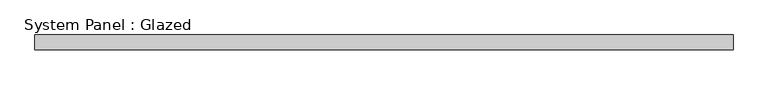
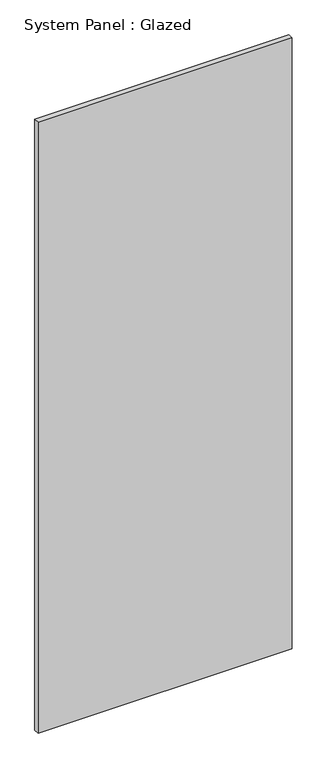
"""IFC4 building model written with IfcOpenShell, lengths in millimetres: plate geometry, System Panel : Glazed."""

from ifc_helpers import new_model, si_unit, origin, origin_with_axes, place, context, project, spatial, polyline, outline, extrude, source, transform, mapped, element, save


def system_panel_glazed_11d9c0f0(model_context):
    return source(origin(), model_context, "Body", "SweptSolid", [
        extrude(outline(polyline([(599.678125, 19.05), (-599.678125, 19.05), (-599.678125, 44.45), (599.678125, 44.45), (599.678125, 19.05)])), origin_with_axes(), (0.0, 0.0, 1.0), 3048.0),
    ])


if __name__ == "__main__":
    model = new_model("IFC4")
    model_context = context("Model", 3, world=origin())
    ifc_project = project(units=[si_unit("LENGTHUNIT", "METRE", prefix="MILLI")], contexts=[model_context])
    site = spatial("IfcSite", under=ifc_project)
    building = spatial("IfcBuilding", under=site)
    placement = place(None, origin())
    system_panel_glazed_shape = system_panel_glazed_11d9c0f0(model_context)
    element("IfcPlate", 1, ObjectType="System Panel : Glazed", at=placement, inside=building, context=model_context, shape_type="MappedRepresentation", body=[
        mapped(system_panel_glazed_shape, transform((0.0, 0.0, 0.0), x_axis=(1.0, 0.0, 0.0), y_axis=(0.0, 1.0, 0.0), z_axis=(0.0, 0.0, 1.0))),
    ])
    save(model, "model.ifc")
